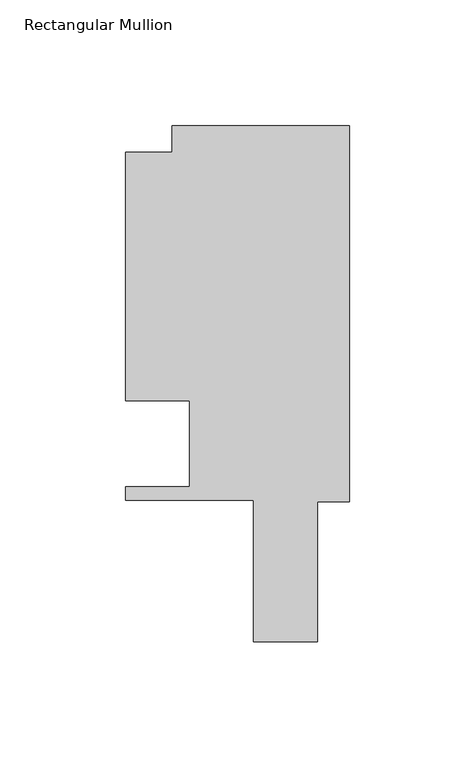
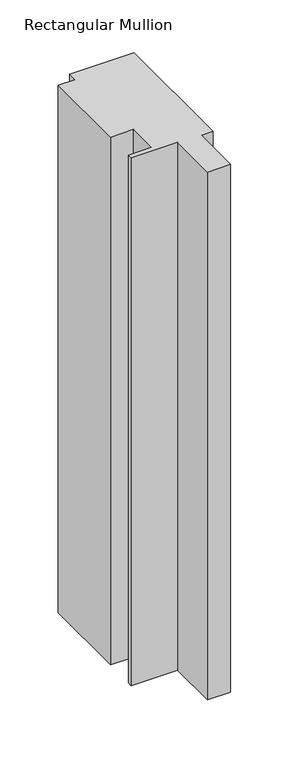
"""IFC4 building model written with IfcOpenShell, lengths in millimetres: member geometry, Rectangular Mullion."""

from ifc_helpers import new_model, si_unit, frame, origin, place, context, project, spatial, polyline, outline, extrude, source, transform, mapped, element, save


def rectangular_mullion_ec8e33db(model_context):
    return source(origin(), model_context, "Body", "SweptSolid", [
        extrude(outline(polyline([(0.0, 148.737016), (0.0, -0.6166672), (-12.6909103, -0.6166672), (-12.6909103, -56.3681563), (-38.1000001, -56.3681563), (-38.1000001, 0.020016), (-88.9000002, 0.020016), (-88.9000002, 5.3538437), (-63.5000002, 5.3538437), (-63.5000002, 39.3898437), (-88.9000002, 39.3898438), (-88.9000002, 138.3230199), (-70.3834001, 138.3230199), (-70.3834001, 148.737016), (0.0, 148.737016)])), frame((0.0, 0.0, -609.6), z_axis=(0.0, 0.0, 1.0), x_axis=(1.0, 0.0, 0.0)), (0.0, 0.0, 1.0), 609.6),
    ])


if __name__ == "__main__":
    model = new_model("IFC4")
    model_context = context("Model", 3, world=origin())
    ifc_project = project(units=[si_unit("LENGTHUNIT", "METRE", prefix="MILLI")], contexts=[model_context])
    site = spatial("IfcSite", under=ifc_project)
    building = spatial("IfcBuilding", under=site)
    placement = place(None, origin())
    rectangular_mullion_shape = rectangular_mullion_ec8e33db(model_context)
    element("IfcMember", 1, ObjectType="Rectangular Mullion", at=placement, inside=building, context=model_context, shape_type="MappedRepresentation", body=[
        mapped(rectangular_mullion_shape, transform((0.0, 0.0, 0.0), x_axis=(1.0, 0.0, 0.0), y_axis=(0.0, 1.0, 0.0), z_axis=(0.0, 0.0, 1.0))),
    ])
    save(model, "model.ifc")
